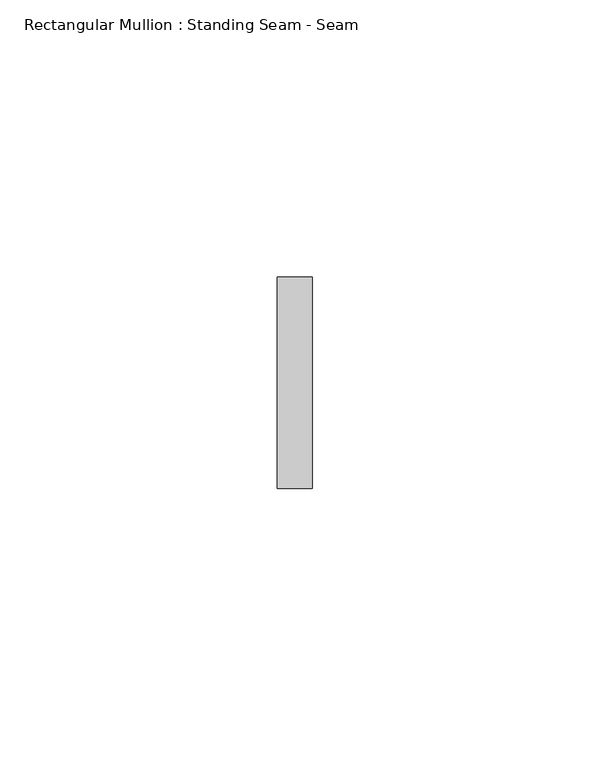
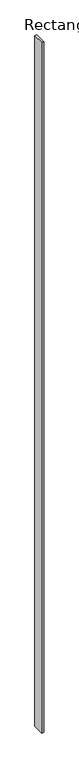
"""IFC4 building model written with IfcOpenShell, lengths in millimetres: member geometry, Rectangular Mullion : Standing Seam - Seam."""

from ifc_helpers import new_model, si_unit, frame, origin, place, context, project, spatial, polyline, outline, extrude, source, transform, mapped, element, save


def rectangular_mullion_standing_seam_seam_142dc155(model_context):
    return source(origin(), model_context, "Body", "SweptSolid", [
        extrude(outline(polyline([(3.175, 41.275), (3.175, 3.175), (-3.175, 3.175), (-3.175, 41.275), (3.175, 41.275)])), frame((0.0, 0.0, -2330.5775325), z_axis=(0.0, 0.0, 1.0), x_axis=(1.0, 0.0, 0.0)), (0.0, 0.0, 1.0), 2330.5775325),
    ])


if __name__ == "__main__":
    model = new_model("IFC4")
    model_context = context("Model", 3, world=origin())
    ifc_project = project(units=[si_unit("LENGTHUNIT", "METRE", prefix="MILLI")], contexts=[model_context])
    site = spatial("IfcSite", under=ifc_project)
    building = spatial("IfcBuilding", under=site)
    placement = place(None, origin())
    rectangular_mullion_standing_seam_seam_shape = rectangular_mullion_standing_seam_seam_142dc155(model_context)
    element("IfcMember", 1, ObjectType="Rectangular Mullion : Standing Seam - Seam", at=placement, inside=building, context=model_context, shape_type="MappedRepresentation", body=[
        mapped(rectangular_mullion_standing_seam_seam_shape, transform((0.0, 0.0, 0.0), x_axis=(1.0, 0.0, 0.0), y_axis=(0.0, 1.0, 0.0), z_axis=(0.0, 0.0, 1.0))),
    ])
    save(model, "model.ifc")
